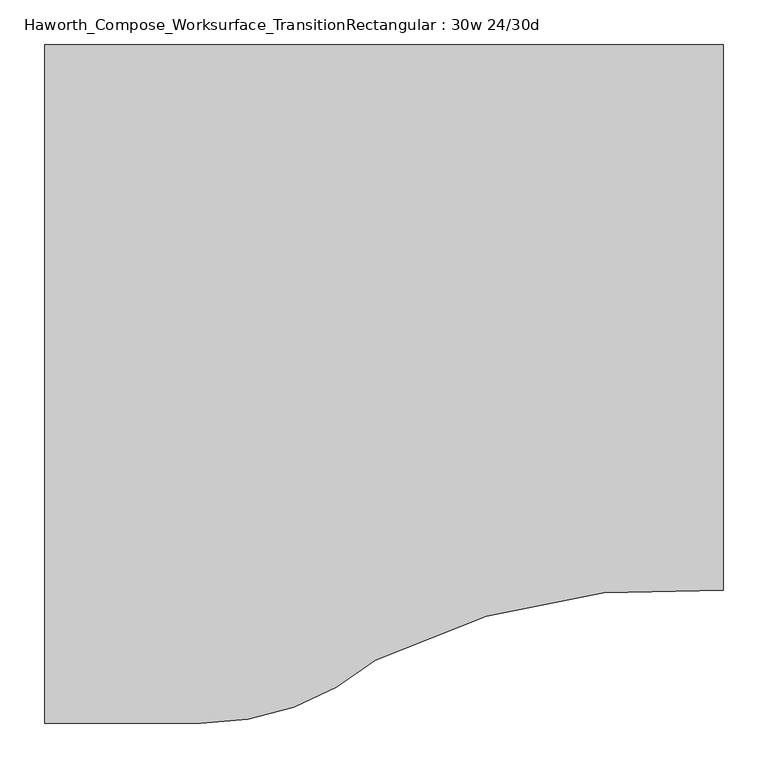
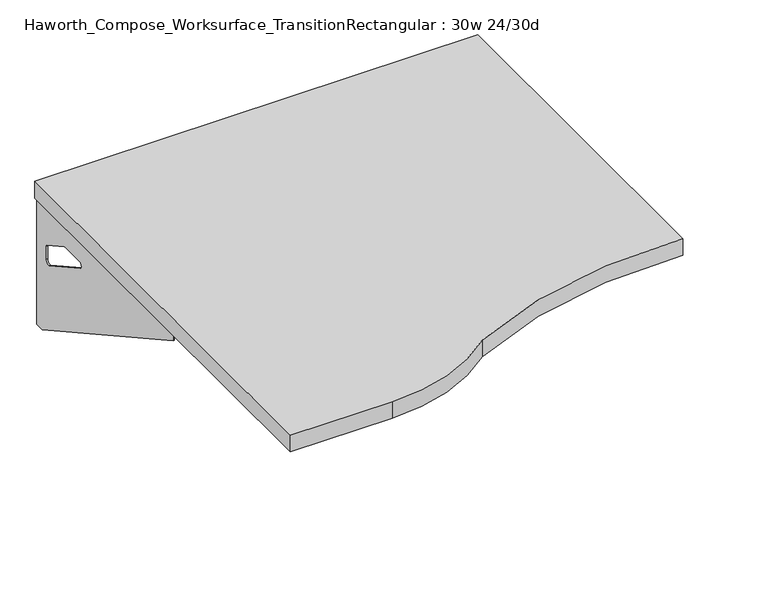
"""IFC4 building model written with IfcOpenShell, lengths in millimetres: furniture geometry, Haworth_Compose_Worksurface_TransitionRectangular : 30w 24/30d."""

from ifc_helpers import new_model, si_unit, point, frame, frame_2d, origin, place, context, project, spatial, polyline, circle_curve, trimmed, segment, composite_curve, outline, extrude, source, transform, mapped, element, save
from ifc_brep_helpers import plane_surface, revolved_surface, advanced_brep


def haworth_compose_worksurface_transitionrectangular_30w_24_30d_a7c56f04(model_context):
    return source(origin(), model_context, "Body", "SolidModel", [
        advanced_brep(
        [(356.39375, 228.6, 475.45625), (356.39375, 212.725, 475.45625), (356.39375, -177.8, 691.7192568), (356.39375, -177.8, 704.05625), (356.39375, 212.725, 704.05625), (356.39375, 228.6, 704.05625), (356.39375, 145.290072, 665.95625), (356.39375, 101.6355284, 665.95625), (356.39375, 98.9564235, 656.3705539), (356.39375, 190.6776173, 605.5776439), (356.39375, 200.025, 611.1756969), (356.39375, 200.025, 634.6860246), (356.39375, 198.2730055, 637.5242776), (356.39375, 148.3663437, 665.1613425), (358.775, 228.6, 475.45625), (358.775, 228.6, 704.05625), (358.775, 212.725, 704.05625), (358.775, 212.725, 706.4375), (358.775, -177.8, 706.4375), (358.775, -177.8, 691.7192568), (358.775, 212.725, 475.45625), (358.775, 145.290072, 665.95625), (358.775, 148.3663437, 665.1613425), (358.775, 198.2730055, 637.5242776), (358.775, 200.025, 634.6860246), (358.775, 200.025, 611.1756969), (358.775, 190.6776173, 605.5776439), (358.775, 98.9564235, 656.3705539), (358.775, 101.6355284, 665.95625), (317.5, -177.8, 706.4375), (317.5, -177.8, 704.05625), (317.5, 212.725, 704.05625), (317.5, 212.725, 706.4375)],
        [
            (0, 1),
            (1, 2),
            (2, 3),
            (3, 4),
            (4, 5),
            (5, 0),
            (6, 7),
            (7, 8, circle_curve(frame((356.39375, 101.6355284, 660.7890106), z_axis=(1.0, 0.0, 0.0), x_axis=(0.0, -1.0, 0.0)), 5.1672394)),
            (8, 9),
            (9, 10, circle_curve(frame((356.39375, 193.675, 611.1756969), z_axis=(1.0, 0.0, 0.0), x_axis=(0.0, -1.0, 0.0)), 6.35)),
            (10, 11),
            (11, 12, circle_curve(frame((356.39375, 196.85, 634.6860246), z_axis=(1.0, 0.0, 0.0), x_axis=(0.0, -1.0, 0.0)), 3.175)),
            (12, 13),
            (13, 6, circle_curve(frame((356.39375, 145.290072, 659.60625), z_axis=(1.0, 0.0, 0.0), x_axis=(0.0, -1.0, 0.0)), 6.35)),
            (14, 15),
            (15, 16),
            (16, 17),
            (17, 18),
            (18, 19),
            (19, 20),
            (20, 14),
            (21, 22, circle_curve(frame((358.775, 145.290072, 659.60625), z_axis=(-1.0, 0.0, 0.0), x_axis=(0.0, -1.0, 0.0)), 6.35)),
            (22, 23),
            (23, 24, circle_curve(frame((358.775, 196.85, 634.6860246), z_axis=(-1.0, 0.0, 0.0), x_axis=(0.0, -1.0, 0.0)), 3.175)),
            (24, 25),
            (25, 26, circle_curve(frame((358.775, 193.675, 611.1756969), z_axis=(-1.0, 0.0, 0.0), x_axis=(0.0, -1.0, 0.0)), 6.35)),
            (26, 27),
            (27, 28, circle_curve(frame((358.775, 101.6355284, 660.7890106), z_axis=(-1.0, 0.0, 0.0), x_axis=(0.0, -1.0, 0.0)), 5.1672394)),
            (28, 21),
            (4, 16),
            (15, 5),
            (14, 0),
            (20, 1),
            (19, 2),
            (18, 29),
            (29, 30),
            (30, 3),
            (6, 21),
            (28, 7),
            (9, 26),
            (25, 10),
            (24, 11),
            (23, 12),
            (27, 8),
            (31, 4),
            (30, 31),
            (32, 29),
            (17, 32),
            (31, 32),
            (22, 13),
        ],
        [
            plane_surface(frame((356.39375, 228.6, 475.45625), z_axis=(-1.0, 0.0, 0.0), x_axis=(0.0, 1.0, 0.0))),
            plane_surface(frame((358.775, 228.6, 475.45625), z_axis=(1.0, 0.0, 0.0), x_axis=(0.0, -1.0, 0.0))),
            plane_surface(frame((358.775, -177.8, 704.05625), z_axis=(0.0, 0.0, 1.0), x_axis=(-1.0, 0.0, 0.0))),
            plane_surface(frame((358.775, 228.6, 704.05625), z_axis=(0.0, 1.0, 0.0), x_axis=(-1.0, 0.0, 0.0))),
            plane_surface(frame((358.775, 228.6, 475.45625), z_axis=(0.0, 0.0, -1.0), x_axis=(-1.0, 0.0, 0.0))),
            plane_surface(frame((358.775, 212.725, 475.45625), z_axis=(0.0, -0.48445223513455843, -0.8748177135112952), x_axis=(-1.0, 0.0, 0.0))),
            plane_surface(frame((358.775, -177.8, 691.7192568), z_axis=(0.0, -1.0, 0.0), x_axis=(-1.0, 0.0, 0.0))),
            plane_surface(frame((358.775, 145.290072, 665.95625), z_axis=(0.0, 0.0, -1.0), x_axis=(-1.0, 0.0, 0.0))),
            revolved_surface(polyline([(356.39375, 187.32500000000002, 611.1756969), (358.775, 187.32500000000002, 611.1756969)]), (358.775, 193.675, 611.1756969), (-1.0, 0.0, 0.0)),
            plane_surface(frame((358.775, 200.025, 611.1756969), z_axis=(0.0, -1.0, 0.0), x_axis=(-1.0, 0.0, 0.0))),
            revolved_surface(polyline([(356.39375, 193.67499999999998, 634.6860246), (358.775, 193.67499999999998, 634.6860246)]), (358.775, 196.85, 634.6860246), (-1.0, 0.0, 0.0)),
            revolved_surface(polyline([(356.39375, 96.468289, 660.7890106), (358.775, 96.468289, 660.7890106)]), (358.775, 101.6355284, 660.7890106), (-1.0, 0.0, 0.0)),
            plane_surface(frame((358.775, 212.725, 704.05625), z_axis=(0.0, 0.0, -1.0), x_axis=(-1.0, 0.0, 0.0))),
            plane_surface(frame((358.775, 212.725, 706.4375), z_axis=(0.0, 0.0, 1.0), x_axis=(1.0, 0.0, 0.0))),
            plane_surface(frame((317.5, 212.725, 706.4375), z_axis=(0.0, 1.0, 0.0), x_axis=(0.0, 0.0, -1.0))),
            plane_surface(frame((317.5, -177.8, 706.4375), z_axis=(-1.0, 0.0, 0.0), x_axis=(0.0, 0.0, -1.0))),
            plane_surface(frame((358.775, 98.9564235, 656.3705539), z_axis=(0.0, 0.4844522351345583, 0.8748177135112953), x_axis=(-1.0, 0.0, 0.0))),
            plane_surface(frame((358.775, 198.2730055, 637.5242776), z_axis=(0.0, -0.4844522351345582, -0.8748177135112953), x_axis=(-1.0, 0.0, 0.0))),
            revolved_surface(polyline([(356.39375, 138.94007200000001, 659.60625), (358.775, 138.94007200000001, 659.60625)]), (358.775, 145.290072, 659.60625), (-1.0, 0.0, 0.0)),
        ],
        [
            (0, [[1, 2, 3, 4, 5, 6], [7, 8, 9, 10, 11, 12, 13, 14]]),
            (1, [[15, 16, 17, 18, 19, 20, 21], [22, 23, 24, 25, 26, 27, 28, 29]]),
            (2, [[-5, 30, -16, 31]]),
            (3, [[-31, -15, 32, -6]]),
            (4, [[-32, -21, 33, -1]]),
            (5, [[-33, -20, 34, -2]]),
            (6, [[-34, -19, 35, 36, 37, -3]]),
            (7, [[38, -29, 39, -7]]),
            (8, [[40, -26, 41, -10]]),
            (9, [[-41, -25, 42, -11]]),
            (10, [[-42, -24, 43, -12]]),
            (11, [[-39, -28, 44, -8]]),
            (12, [[45, -4, -37, 46]]),
            (13, [[47, -35, -18, 48]]),
            (14, [[-17, -30, -45, 49, -48]]),
            (15, [[-36, -47, -49, -46]]),
            (16, [[-44, -27, -40, -9]]),
            (17, [[-43, -23, 50, -13]]),
            (18, [[-50, -22, -38, -14]]),
        ],
    ),
        advanced_brep(
        [(-394.49375, 228.6, 475.45625), (-394.49375, 228.6, 704.05625), (-394.49375, 212.725, 704.05625), (-394.49375, -177.8, 704.05625), (-394.49375, -177.8, 691.7192568), (-394.49375, 212.725, 475.45625), (-394.49375, 145.290072, 665.95625), (-394.49375, 148.3663437, 665.1613425), (-394.49375, 198.2730055, 637.5242776), (-394.49375, 200.025, 634.6860246), (-394.49375, 200.025, 611.1756969), (-394.49375, 190.6776173, 605.5776439), (-394.49375, 98.9564235, 656.3705539), (-394.49375, 101.6355284, 665.95625), (-396.875, 228.6, 475.45625), (-396.875, 212.725, 475.45625), (-396.875, -177.8, 691.7192568), (-396.875, -177.8, 706.4375), (-396.875, 212.725, 706.4375), (-396.875, 212.725, 704.05625), (-396.875, 228.6, 704.05625), (-396.875, 145.290072, 665.95625), (-396.875, 101.6355284, 665.95625), (-396.875, 98.9564235, 656.3705539), (-396.875, 190.6776173, 605.5776439), (-396.875, 200.025, 611.1756969), (-396.875, 200.025, 634.6860246), (-396.875, 198.2730055, 637.5242776), (-396.875, 148.3663437, 665.1613425), (-355.6, -177.8, 704.05625), (-355.6, -177.8, 706.4375), (-355.6, 212.725, 704.05625), (-355.6, 212.725, 706.4375)],
        [
            (0, 1),
            (1, 2),
            (2, 3),
            (3, 4),
            (4, 5),
            (5, 0),
            (6, 7, circle_curve(frame((-394.49375, 145.290072, 659.60625), z_axis=(-1.0, 0.0, 0.0), x_axis=(0.0, -1.0, 0.0)), 6.35)),
            (7, 8),
            (8, 9, circle_curve(frame((-394.49375, 196.85, 634.6860246), z_axis=(-1.0, 0.0, 0.0), x_axis=(0.0, -1.0, 0.0)), 3.175)),
            (9, 10),
            (10, 11, circle_curve(frame((-394.49375, 193.675, 611.1756969), z_axis=(-1.0, 0.0, 0.0), x_axis=(0.0, -1.0, 0.0)), 6.35)),
            (11, 12),
            (12, 13, circle_curve(frame((-394.49375, 101.6355284, 660.7890106), z_axis=(-1.0, 0.0, 0.0), x_axis=(0.0, -1.0, 0.0)), 5.1672394)),
            (13, 6),
            (14, 15),
            (15, 16),
            (16, 17),
            (17, 18),
            (18, 19),
            (19, 20),
            (20, 14),
            (21, 22),
            (22, 23, circle_curve(frame((-396.875, 101.6355284, 660.7890106), z_axis=(1.0, 0.0, 0.0), x_axis=(0.0, -1.0, 0.0)), 5.1672394)),
            (23, 24),
            (24, 25, circle_curve(frame((-396.875, 193.675, 611.1756969), z_axis=(1.0, 0.0, 0.0), x_axis=(0.0, -1.0, 0.0)), 6.35)),
            (25, 26),
            (26, 27, circle_curve(frame((-396.875, 196.85, 634.6860246), z_axis=(1.0, 0.0, 0.0), x_axis=(0.0, -1.0, 0.0)), 3.175)),
            (27, 28),
            (28, 21, circle_curve(frame((-396.875, 145.290072, 659.60625), z_axis=(1.0, 0.0, 0.0), x_axis=(0.0, -1.0, 0.0)), 6.35)),
            (1, 20),
            (19, 2),
            (0, 14),
            (5, 15),
            (4, 16),
            (3, 29),
            (29, 30),
            (30, 17),
            (13, 22),
            (21, 6),
            (10, 25),
            (24, 11),
            (9, 26),
            (8, 27),
            (12, 23),
            (31, 29),
            (2, 31),
            (32, 18),
            (30, 32),
            (32, 31),
            (7, 28),
        ],
        [
            plane_surface(frame((-394.49375, 228.6, 475.45625), z_axis=(1.0, 0.0, 0.0), x_axis=(0.0, 1.0, 0.0))),
            plane_surface(frame((-396.875, 228.6, 475.45625), z_axis=(-1.0, 0.0, 0.0), x_axis=(0.0, -1.0, 0.0))),
            plane_surface(frame((-396.875, -177.8, 704.05625), z_axis=(0.0, 0.0, 1.0), x_axis=(1.0, 0.0, 0.0))),
            plane_surface(frame((-396.875, 228.6, 704.05625), z_axis=(0.0, 1.0, 0.0), x_axis=(1.0, 0.0, 0.0))),
            plane_surface(frame((-396.875, 228.6, 475.45625), z_axis=(0.0, 0.0, -1.0), x_axis=(1.0, 0.0, 0.0))),
            plane_surface(frame((-396.875, 212.725, 475.45625), z_axis=(0.0, -0.48445223513455843, -0.8748177135112952), x_axis=(1.0, 0.0, 0.0))),
            plane_surface(frame((-396.875, -177.8, 691.7192568), z_axis=(0.0, -1.0, 0.0), x_axis=(1.0, 0.0, 0.0))),
            plane_surface(frame((-396.875, 145.290072, 665.95625), z_axis=(0.0, 0.0, -1.0), x_axis=(1.0, 0.0, 0.0))),
            revolved_surface(polyline([(-394.49375, 187.32500000000002, 611.1756969), (-396.875, 187.32500000000002, 611.1756969)]), (-396.875, 193.675, 611.1756969), (1.0, 0.0, 0.0)),
            plane_surface(frame((-396.875, 200.025, 611.1756969), z_axis=(0.0, -1.0, 0.0), x_axis=(1.0, 0.0, 0.0))),
            revolved_surface(polyline([(-394.49375, 193.67499999999998, 634.6860246), (-396.875, 193.67499999999998, 634.6860246)]), (-396.875, 196.85, 634.6860246), (1.0, 0.0, 0.0)),
            revolved_surface(polyline([(-394.49375, 96.468289, 660.7890106), (-396.875, 96.468289, 660.7890106)]), (-396.875, 101.6355284, 660.7890106), (1.0, 0.0, 0.0)),
            plane_surface(frame((-396.875, 212.725, 704.05625), z_axis=(0.0, 0.0, -1.0), x_axis=(1.0, 0.0, 0.0))),
            plane_surface(frame((-396.875, 212.725, 706.4375), z_axis=(0.0, 0.0, 1.0), x_axis=(-1.0, 0.0, 0.0))),
            plane_surface(frame((-355.6, 212.725, 706.4375), z_axis=(0.0, 1.0, 0.0), x_axis=(0.0, 0.0, -1.0))),
            plane_surface(frame((-355.6, -177.8, 706.4375), z_axis=(1.0, 0.0, 0.0), x_axis=(0.0, 0.0, -1.0))),
            plane_surface(frame((-396.875, 98.9564235, 656.3705539), z_axis=(0.0, 0.4844522351345583, 0.8748177135112953), x_axis=(1.0, 0.0, 0.0))),
            plane_surface(frame((-396.875, 198.2730055, 637.5242776), z_axis=(0.0, -0.4844522351345582, -0.8748177135112953), x_axis=(1.0, 0.0, 0.0))),
            revolved_surface(polyline([(-394.49375, 138.94007200000001, 659.60625), (-396.875, 138.94007200000001, 659.60625)]), (-396.875, 145.290072, 659.60625), (1.0, 0.0, 0.0)),
        ],
        [
            (0, [[1, 2, 3, 4, 5, 6], [7, 8, 9, 10, 11, 12, 13, 14]]),
            (1, [[15, 16, 17, 18, 19, 20, 21], [22, 23, 24, 25, 26, 27, 28, 29]]),
            (2, [[30, -20, 31, -2]]),
            (3, [[-1, 32, -21, -30]]),
            (4, [[-6, 33, -15, -32]]),
            (5, [[-5, 34, -16, -33]]),
            (6, [[-4, 35, 36, 37, -17, -34]]),
            (7, [[-14, 38, -22, 39]]),
            (8, [[-11, 40, -25, 41]]),
            (9, [[-10, 42, -26, -40]]),
            (10, [[-9, 43, -27, -42]]),
            (11, [[-13, 44, -23, -38]]),
            (12, [[45, -35, -3, 46]]),
            (13, [[47, -18, -37, 48]]),
            (14, [[-47, 49, -46, -31, -19]]),
            (15, [[-45, -49, -48, -36]]),
            (16, [[-12, -41, -24, -44]]),
            (17, [[-8, 50, -28, -43]]),
            (18, [[-7, -39, -29, -50]]),
        ],
    ),
        extrude(outline(composite_curve([segment(trimmed(circle_curve(frame_2d((311.7964534, -1144.0111083)), 762.0), [point((361.95, -383.6634103))], [point((-29.0473583, -462.4911188))], True, "CARTESIAN"), True, "CONTINUOUS"), segment(trimmed(circle_curve(frame_2d((-224.4904051, -228.6)), 304.8), [point((-29.0473583, -462.4911188))], [point((-224.4904051, -533.4))], False, "CARTESIAN"), True, "CONTINUOUS"), segment(polyline([(-224.4904051, -533.4), (-400.05, -533.4), (-400.05, 228.6), (361.95, 228.6), (361.95, -383.6634103)]), True, "CONTINUOUS")], self_intersect=False)), frame((0.0, 0.0, 706.4375), z_axis=(0.0, 0.0, 1.0), x_axis=(1.0, 0.0, 0.0)), (0.0, 0.0, 1.0), 30.1625),
    ])


if __name__ == "__main__":
    model = new_model("IFC4")
    model_context = context("Model", 3, world=origin())
    ifc_project = project(units=[si_unit("LENGTHUNIT", "METRE", prefix="MILLI")], contexts=[model_context])
    site = spatial("IfcSite", under=ifc_project)
    building = spatial("IfcBuilding", under=site)
    placement = place(None, origin())
    haworth_compose_worksurface_transitionrectangular_30w_24_30d_shape = haworth_compose_worksurface_transitionrectangular_30w_24_30d_a7c56f04(model_context)
    element("IfcFurniture", 1, ObjectType="Haworth_Compose_Worksurface_TransitionRectangular : 30w 24/30d", at=placement, inside=building, context=model_context, shape_type="MappedRepresentation", body=[
        mapped(haworth_compose_worksurface_transitionrectangular_30w_24_30d_shape, transform((0.0, 0.0, 0.0), x_axis=(1.0, 0.0, 0.0), y_axis=(0.0, 1.0, 0.0), z_axis=(0.0, 0.0, 1.0))),
    ])
    save(model, "model.ifc")
